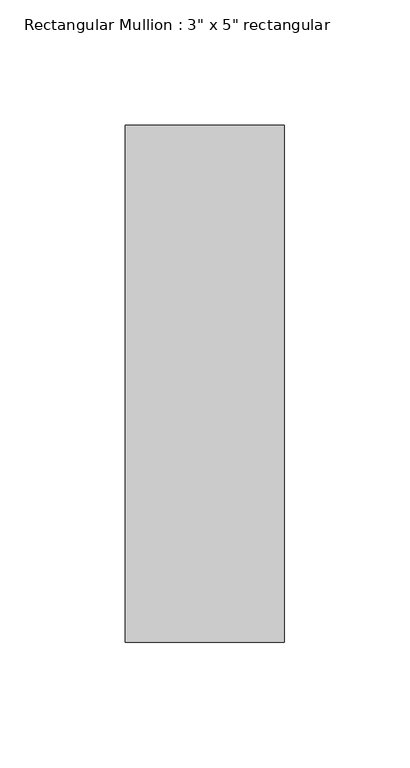
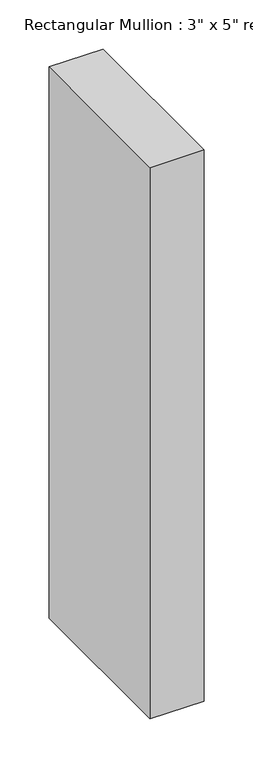
"""IFC4 building model written with IfcOpenShell, lengths in millimetres: member geometry."""

from ifc_helpers import new_model, si_unit, frame, origin, place, context, project, spatial, polyline, outline, extrude, source, transform, mapped, element, save


def member_4d5a0679(model_context):
    return source(origin(), model_context, "Body", "SweptSolid", [
        extrude(outline(polyline([(31.75, 90.551), (31.75, -115.951), (-31.75, -115.951), (-31.75, 90.551), (31.75, 90.551)])), frame((0.0, 0.0, -685.8), z_axis=(0.0, 0.0, 1.0), x_axis=(1.0, 0.0, 0.0)), (0.0, 0.0, 1.0), 685.8),
    ])


if __name__ == "__main__":
    model = new_model("IFC4")
    model_context = context("Model", 3, world=origin())
    ifc_project = project(units=[si_unit("LENGTHUNIT", "METRE", prefix="MILLI")], contexts=[model_context])
    site = spatial("IfcSite", under=ifc_project)
    building = spatial("IfcBuilding", under=site)
    placement = place(None, origin())
    member_shape = member_4d5a0679(model_context)
    element("IfcMember", 1, ObjectType="Rectangular Mullion : 3\" x 5\" rectangular", at=placement, inside=building, context=model_context, shape_type="MappedRepresentation", body=[
        mapped(member_shape, transform((0.0, 0.0, 0.0), x_axis=(1.0, 0.0, 0.0), y_axis=(0.0, 1.0, 0.0), z_axis=(0.0, 0.0, 1.0))),
    ])
    save(model, "model.ifc")
